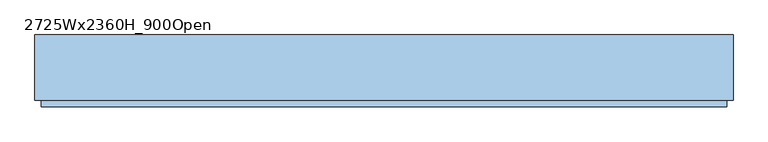
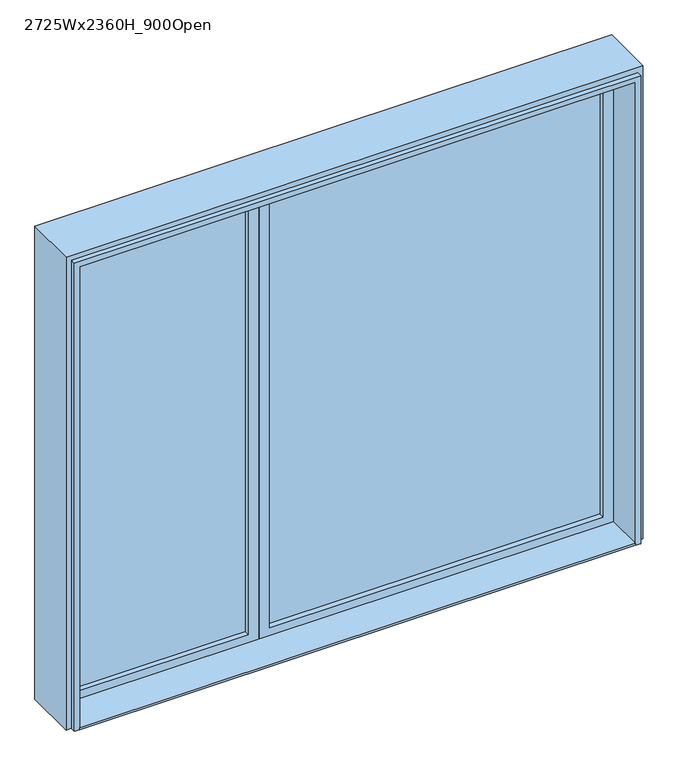
"""IFC4 building model written with IfcOpenShell, lengths in millimetres: window geometry, 2725Wx2360H_900Open."""

import ifcopenshell
import ifcopenshell.guid

model = None  # the IFC model being written
_history = None  # IfcOwnerHistory: only IFC2X3 demands one
_inside = {}  # id of a spatial element -> (the spatial element, [elements in it])
_under = {}  # id of a project, library or spatial element -> (it, [spatial elements below it])
_declared = {}  # id of a project -> (the project, [libraries it declares])
_typed = {}  # id of a type object -> (the type object, [elements of that type])
_made_of = {}  # id of a material, layer set ... -> (it, [elements and type objects made of it])


def new_model(schema):
    """Start an empty IFC model of exactly this schema.

    Asked for "IFC4X3", IfcOpenShell would pick the latest addendum, in which some entities
    have other attributes; the version numbers below select the first issue.
    IFC2X3 requires an IfcOwnerHistory on every rooted entity: one is made here for all.
    """
    global model, _history
    if schema == "IFC4X3":
        model = ifcopenshell.file(schema_version=(4, 3, 0, 0))
    else:
        model = ifcopenshell.file(schema=schema)
    _inside.clear()
    _under.clear()
    _declared.clear()
    _typed.clear()
    _made_of.clear()
    _history = None
    if model.schema == "IFC2X3":
        org = make("IfcOrganization", Name="unknown")
        user = make(
            "IfcPersonAndOrganization",
            ThePerson=make("IfcPerson", FamilyName="unknown"),
            TheOrganization=org,
        )
        app = make(
            "IfcApplication",
            ApplicationDeveloper=org,
            Version="unknown",
            ApplicationFullName="unknown",
            ApplicationIdentifier="unknown",
        )
        _history = make(
            "IfcOwnerHistory",
            OwningUser=user,
            OwningApplication=app,
            ChangeAction="ADDED",
            CreationDate=0,
        )
    return model


def make(cls, **values):
    """One entity of the class cls with the attributes given. An attribute that is None is left unset."""
    return model.create_entity(
        cls, **{name: value for name, value in values.items() if value is not None}
    )


def rooted(cls, **values):
    """An entity with a GlobalId (a new one), such as an element, a storey or a relation."""
    return make(cls, GlobalId=ifcopenshell.guid.new(), OwnerHistory=_history, **values)


def si_unit(unit_type, name, prefix=None):
    """IfcSIUnit, for example si_unit("LENGTHUNIT", "METRE", prefix="MILLI")."""
    return make("IfcSIUnit", UnitType=unit_type, Prefix=prefix, Name=name)


def assignment(units):
    """IfcUnitAssignment: the units of a project."""
    return None if units is None else make("IfcUnitAssignment", Units=units)


def point(xyz):
    """IfcCartesianPoint."""
    return None if xyz is None else make("IfcCartesianPoint", Coordinates=xyz)


def direction(xyz):
    """IfcDirection."""
    return None if xyz is None else make("IfcDirection", DirectionRatios=xyz)


def frame(location, z_axis=None, x_axis=None):
    """IfcAxis2Placement3D, a coordinate frame: its origin and axes. An axis left out is left unset."""
    return make(
        "IfcAxis2Placement3D",
        Location=point(location),
        Axis=direction(z_axis),
        RefDirection=direction(x_axis),
    )


def origin():
    """The frame at (0, 0, 0) with its axes left unset."""
    return frame((0.0, 0.0, 0.0))


def origin_with_axes():
    """The frame at (0, 0, 0) with the z axis (0, 0, 1) and the x axis (1, 0, 0) written out."""
    return frame((0.0, 0.0, 0.0), z_axis=(0.0, 0.0, 1.0), x_axis=(1.0, 0.0, 0.0))


def place(relative_to, where):
    """IfcLocalPlacement: puts the frame where relative to a parent placement (None: the world)."""
    return make(
        "IfcLocalPlacement", PlacementRelTo=relative_to, RelativePlacement=where
    )


def context(
    kind, dimensions, precision=None, world=None, true_north=None, identifier=None
):
    """IfcGeometricRepresentationContext, for example the 3D "Model" context."""
    return make(
        "IfcGeometricRepresentationContext",
        ContextIdentifier=identifier,
        ContextType=kind,
        CoordinateSpaceDimension=dimensions,
        Precision=precision,
        WorldCoordinateSystem=world,
        TrueNorth=true_north,
    )


def project(units=None, contexts=None):
    """IfcProject with its units and contexts."""
    return rooted(
        "IfcProject",
        Name="project",
        RepresentationContexts=contexts,
        UnitsInContext=assignment(units),
    )


def spatial(cls, under=None, at=None, **own):
    """A site, building, storey or space (cls), placed at a placement, below another one or the project."""
    s = rooted(cls, ObjectPlacement=at, **own)
    if under is not None:
        _under.setdefault(under.id(), (under, []))[1].append(s)
    return s


def polyline(points):
    """IfcPolyline through the points."""
    return make("IfcPolyline", Points=[point(p) for p in points])


def outline(outer, holes=None, kind="AREA"):
    """IfcArbitraryClosedProfileDef: a profile drawn as a closed curve; with holes, ...WithVoids."""
    if holes is None:
        return make("IfcArbitraryClosedProfileDef", ProfileType=kind, OuterCurve=outer)
    return make(
        "IfcArbitraryProfileDefWithVoids",
        ProfileType=kind,
        OuterCurve=outer,
        InnerCurves=holes,
    )


def extrude(swept, where, along, depth):
    """IfcExtrudedAreaSolid: the profile swept, set in the frame where, extruded along a direction by depth."""
    return make(
        "IfcExtrudedAreaSolid",
        SweptArea=swept,
        Position=where,
        ExtrudedDirection=direction(along),
        Depth=depth,
    )


def faces_of(points, faces, orient=None, outer=None):
    """IfcFace entities. A face is a list of loops; a loop is a list of indices into points, from 0.

    orient and outer hold one flag for each loop. By default every Orientation is true, the
    first loop of a face is its IfcFaceOuterBound and the others are IfcFaceBound.
    """
    made = []
    for i, loops in enumerate(faces):
        bounds = []
        for j, loop in enumerate(loops):
            is_outer = j == 0 if outer is None else outer[i][j]
            bounds.append(
                make(
                    "IfcFaceOuterBound" if is_outer else "IfcFaceBound",
                    Bound=make("IfcPolyLoop", Polygon=[points[k] for k in loop]),
                    Orientation=True if orient is None else orient[i][j],
                )
            )
        made.append(make("IfcFace", Bounds=bounds))
    return made


def faceted_brep(points, faces, orient=None, outer=None, voids=None):
    """IfcFacetedBrep: a solid bounded by flat faces; with voids (closed shells), ...WithVoids."""
    shared = [point(p) for p in points]
    hull = make("IfcClosedShell", CfsFaces=faces_of(shared, faces, orient, outer))
    if voids is None:
        return make("IfcFacetedBrep", Outer=hull)
    return make(
        "IfcFacetedBrepWithVoids",
        Outer=hull,
        Voids=[
            make(cls, CfsFaces=faces_of(shared, fs, o, b)) for cls, fs, o, b in voids
        ],
    )


def shape(context_of_items, identifier, shape_type, items):
    """IfcShapeRepresentation: the items that make up one representation, for example the "Body"."""
    return make(
        "IfcShapeRepresentation",
        ContextOfItems=context_of_items,
        RepresentationIdentifier=identifier,
        RepresentationType=shape_type,
        Items=items,
    )


def source(mapping_origin, context_of_items, identifier, shape_type, items):
    """IfcRepresentationMap: a shape defined once, which mapped items show again and again."""
    return make(
        "IfcRepresentationMap",
        MappingOrigin=mapping_origin,
        MappedRepresentation=shape(context_of_items, identifier, shape_type, items),
    )


def transform(
    local_origin,
    x_axis=None,
    y_axis=None,
    z_axis=None,
    scale=None,
    scale2=None,
    scale3=None,
    uniform=True,
):
    """IfcCartesianTransformationOperator3D, or its non-uniform kind. x_axis, y_axis, z_axis: its Axis1, 2, 3."""
    if uniform:
        return make(
            "IfcCartesianTransformationOperator3D",
            Axis1=direction(x_axis),
            Axis2=direction(y_axis),
            LocalOrigin=point(local_origin),
            Scale=scale,
            Axis3=direction(z_axis),
        )
    return make(
        "IfcCartesianTransformationOperator3DnonUniform",
        Axis1=direction(x_axis),
        Axis2=direction(y_axis),
        LocalOrigin=point(local_origin),
        Scale=scale,
        Axis3=direction(z_axis),
        Scale2=scale2,
        Scale3=scale3,
    )


def mapped(mapping_source, mapping_target):
    """IfcMappedItem: shows the shape of a source again, moved by a transform."""
    return make(
        "IfcMappedItem", MappingSource=mapping_source, MappingTarget=mapping_target
    )


def made_of(thing, what):
    """Note that an element or type object is made of a material, layer set ...; save() writes the relation."""
    if what is not None:
        _made_of.setdefault(what.id(), (what, []))[1].append(thing)
    return thing


def element(
    cls,
    number,
    at=None,
    inside=None,
    cuts=None,
    type_object=None,
    material=None,
    context=None,
    identifier="Body",
    shape_type=None,
    held_by="IfcProductDefinitionShape",
    body=None,
    shapes=None,
    **own,
):
    """One element of the class cls, such as IfcWall. Its Tag is "e" and its number.

    at: its placement. inside: the storey or other place that contains it. cuts: it is an
    opening in that element (IfcRelVoidsElement). A single representation is given by context,
    identifier, shape_type and body (its items); several are given by shapes. held_by: the class
    of the entity that holds the representations. save() writes the other relations.
    """
    e = rooted(cls, Tag="e%d" % number, ObjectPlacement=at, **own)
    if body is not None:
        shapes = [shape(context, identifier, shape_type, body)]
    if shapes is not None:
        e.Representation = make(held_by, Representations=shapes)
    if inside is not None:
        _inside.setdefault(inside.id(), (inside, []))[1].append(e)
    if cuts is not None:
        rooted(
            "IfcRelVoidsElement", RelatingBuildingElement=cuts, RelatedOpeningElement=e
        )
    if type_object is not None:
        _typed.setdefault(type_object.id(), (type_object, []))[1].append(e)
    return made_of(e, material)


def aggregate(whole, parts):
    """IfcRelAggregates: a whole, such as a stair, and the parts it consists of."""
    return rooted("IfcRelAggregates", RelatingObject=whole, RelatedObjects=parts)


def save(model, path):
    """Write the relations noted so far, then the file.

    IfcRelAggregates (storeys below a building ...), IfcRelContainedInSpatialStructure (elements
    in a storey), IfcRelDefinesByType, IfcRelAssociatesMaterial and IfcRelDeclares: one each for
    every whole, place, type object, material and project.
    """
    for whole, parts in _under.values():
        aggregate(whole, parts)
    for where, things in _inside.values():
        rooted(
            "IfcRelContainedInSpatialStructure",
            RelatedElements=things,
            RelatingStructure=where,
        )
    for kind, things in _typed.values():
        rooted("IfcRelDefinesByType", RelatedObjects=things, RelatingType=kind)
    for what, things in _made_of.values():
        rooted("IfcRelAssociatesMaterial", RelatedObjects=things, RelatingMaterial=what)
    for by, libraries in _declared.values():
        rooted("IfcRelDeclares", RelatingContext=by, RelatedDefinitions=libraries)
    model.write(path)


def window_2725wx2360h_900open_84a915bf(model_context):
    return source(origin(), model_context, "Body", "SolidModel", [
        extrude(outline(polyline([(1262.5, -67.0), (-312.5, -67.0), (-312.5, -49.0), (1262.5, -49.0), (1262.5, -67.0)])), frame((0.0, 0.0, 50.0), z_axis=(0.0, 0.0, 1.0), x_axis=(1.0, 0.0, 0.0)), (0.0, 0.0, 1.0), 2210.0),
        extrude(outline(polyline([(-412.5, -67.0), (-1212.5, -67.0), (-1212.5, -49.0), (-412.5, -49.0), (-412.5, -67.0)])), frame((0.0, 0.0, 50.0), z_axis=(0.0, 0.0, 1.0), x_axis=(1.0, 0.0, 0.0)), (0.0, 0.0, 1.0), 2160.0),
        extrude(outline(polyline([(2260.0, -362.5), (2260.0, -1262.5), (0.0, -1262.5), (0.0, -362.5), (2260.0, -362.5)]), holes=[polyline([(2210.0, -412.5), (50.0, -412.5), (50.0, -1212.5), (2210.0, -1212.5), (2210.0, -412.5)])]), frame((0.0, -92.0, 0.0), z_axis=(0.0, 1.0, 0.0), x_axis=(0.0, 0.0, 1.0)), (0.0, 0.0, 1.0), 100.0),
        extrude(outline(polyline([(1312.5, -92.0), (1312.5, -272.0), (-1312.5, -272.0), (-1312.5, -92.0), (1312.5, -92.0)])), origin_with_axes(), (0.0, 0.0, 1.0), 10.0),
        faceted_brep([(1337.5, -272.0, 2335.0), (1337.5, -272.0, 0.0), (1337.5, -247.0, 0.0), (1337.5, -247.0, 2335.0), (-1362.5, -247.0, 2360.0), (-1362.5, -247.0, 0.0), (-1337.5, -247.0, 0.0), (-1337.5, -247.0, 2335.0), (1362.5, -247.0, 0.0), (1362.5, -247.0, 2360.0), (-1312.5, -272.0, 0.0), (-1337.5, -272.0, 0.0), (-1362.5, 8.0, 0.0), (-1312.5, 8.0, 0.0), (1312.5, -272.0, 0.0), (1312.5, 8.0, 0.0), (1362.5, 8.0, 0.0), (-1337.5, -272.0, 2335.0), (-1312.5, -272.0, 2310.0), (1312.5, -272.0, 2310.0), (1362.5, 8.0, 2360.0), (-1362.5, 8.0, 2360.0), (1312.5, 8.0, 2310.0), (-1312.5, 8.0, 2310.0)], [[[0, 1, 2, 3]], [[4, 5, 6, 7, 3, 2, 8, 9]], [[10, 11, 6, 5, 12, 13]], [[1, 14, 15, 16, 8, 2]], [[17, 11, 10, 18, 19, 14, 1, 0]], [[6, 11, 17, 7]], [[20, 9, 8, 16]], [[4, 21, 12, 5]], [[14, 19, 22, 15]], [[13, 23, 18, 10]], [[20, 16, 15, 22, 23, 13, 12, 21]], [[3, 7, 17, 0]], [[20, 21, 4, 9]], [[18, 23, 22, 19]]]),
        extrude(outline(polyline([(0.0, -362.5), (0.0, 1312.5), (2310.0, 1312.5), (2310.0, -1312.5), (0.0, -1312.5), (0.0, -1262.5), (2260.0, -1262.5), (2260.0, -362.5), (0.0, -362.5)]), holes=[polyline([(2260.0, 1262.5), (50.0, 1262.5), (50.0, -312.5), (2260.0, -312.5), (2260.0, 1262.5)])]), frame((0.0, -92.0, 0.0), z_axis=(0.0, 1.0, 0.0), x_axis=(0.0, 0.0, 1.0)), (0.0, 0.0, 1.0), 100.0),
    ])


if __name__ == "__main__":
    model = new_model("IFC4")
    model_context = context("Model", 3, world=origin())
    ifc_project = project(units=[si_unit("LENGTHUNIT", "METRE", prefix="MILLI")], contexts=[model_context])
    site = spatial("IfcSite", under=ifc_project)
    building = spatial("IfcBuilding", under=site)
    placement = place(None, origin())
    window_2725wx2360h_900open_shape = window_2725wx2360h_900open_84a915bf(model_context)
    element("IfcWindow", 1, ObjectType="2725Wx2360H_900Open", at=placement, inside=building, context=model_context, shape_type="MappedRepresentation", body=[
        mapped(window_2725wx2360h_900open_shape, transform((0.0, 0.0, 0.0), x_axis=(1.0, 0.0, 0.0), y_axis=(0.0, 1.0, 0.0), z_axis=(0.0, 0.0, 1.0))),
    ])
    save(model, "model.ifc")
